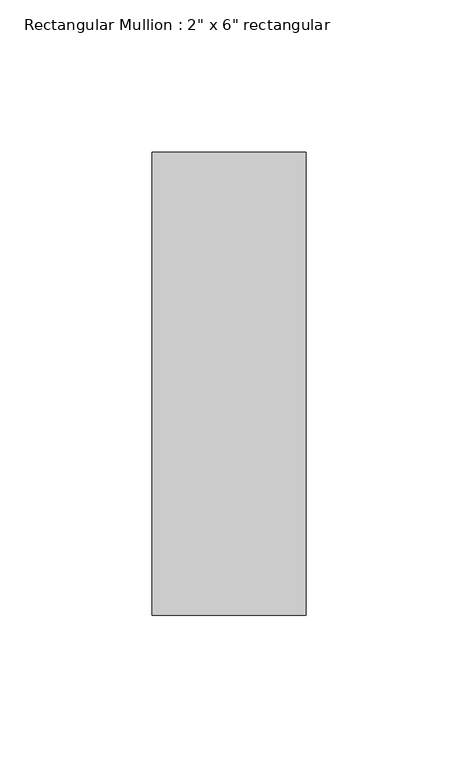
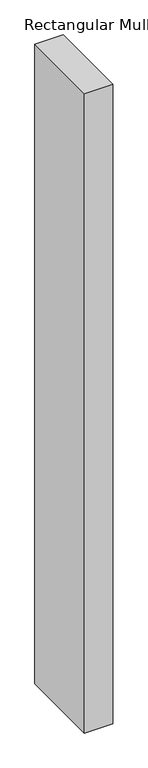
"""IFC4 building model written with IfcOpenShell, lengths in millimetres: member geometry."""

from ifc_helpers import new_model, si_unit, frame, origin, place, context, project, spatial, polyline, outline, extrude, source, transform, mapped, element, save


def member_a1e072ff(model_context):
    return source(origin(), model_context, "Body", "SweptSolid", [
        extrude(outline(polyline([(0.0, 76.2), (0.0, -76.2), (-50.8, -76.2), (-50.8, 76.2), (0.0, 76.2)])), frame((0.0, 0.0, -1202.2666667), z_axis=(0.0, 0.0, 1.0), x_axis=(1.0, 0.0, 0.0)), (0.0, 0.0, 1.0), 1202.2666667),
    ])


if __name__ == "__main__":
    model = new_model("IFC4")
    model_context = context("Model", 3, world=origin())
    ifc_project = project(units=[si_unit("LENGTHUNIT", "METRE", prefix="MILLI")], contexts=[model_context])
    site = spatial("IfcSite", under=ifc_project)
    building = spatial("IfcBuilding", under=site)
    placement = place(None, origin())
    member_shape = member_a1e072ff(model_context)
    element("IfcMember", 1, ObjectType="Rectangular Mullion : 2\" x 6\" rectangular", at=placement, inside=building, context=model_context, shape_type="MappedRepresentation", body=[
        mapped(member_shape, transform((0.0, 0.0, 0.0), x_axis=(1.0, 0.0, 0.0), y_axis=(0.0, 1.0, 0.0), z_axis=(0.0, 0.0, 1.0))),
    ])
    save(model, "model.ifc")
